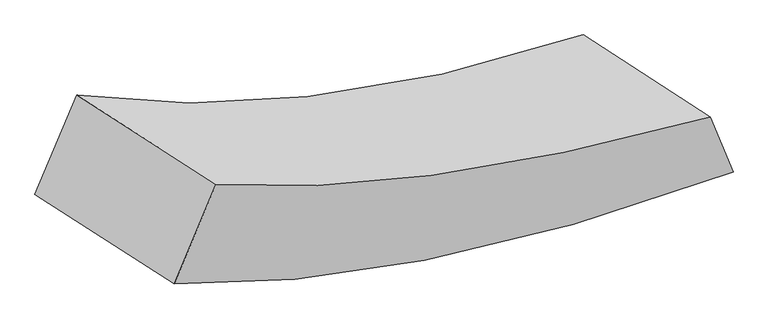
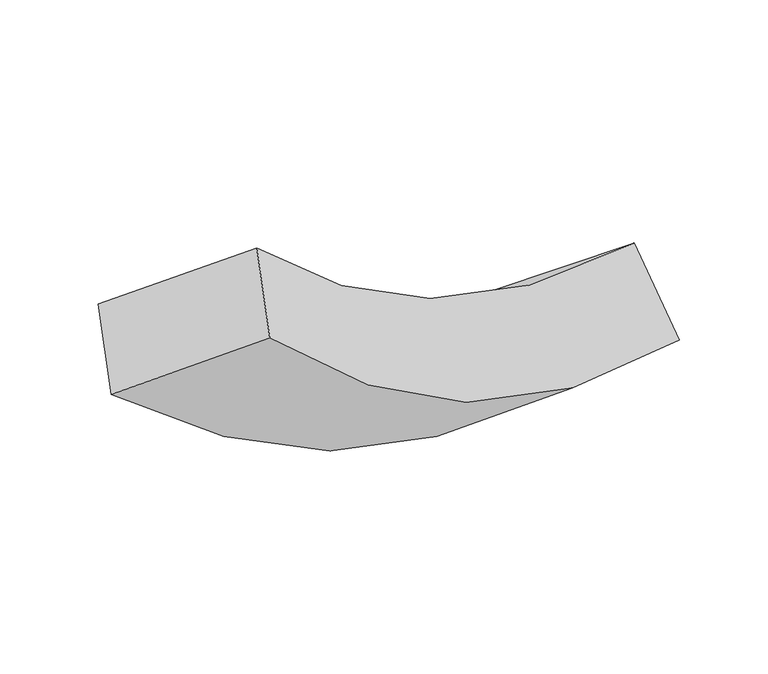
"""IFC4 building model written with IfcOpenShell, lengths in millimetres: proxy geometry."""

from ifc_helpers import new_model, si_unit, frame, origin, place, context, project, spatial, source, transform, mapped, element, save
from ifc_brep_helpers import plane_surface, spline_curve, spline_surface, advanced_brep


def generic_models_0d843068(model_context):
    return source(origin(), model_context, "Body", "AdvancedBrep", [
        advanced_brep(
        [(11003.1620731, -2779.5206532, 681.1179912), (11689.5156428, -3220.3283242, 1061.172804), (8631.5559827, -3833.2822188, 2515.1502642), (7868.8628835, -3343.4458086, 2092.8239358), (11564.2530452, -2920.7083384, 1598.8114323), (8859.4935421, -3288.7145323, 2735.1286809), (10870.1053225, -2469.1737476, 1230.2856986), (8096.800443, -2798.8781221, 2312.8023524)],
        [
            (0, 1),
            (1, 2, spline_curve(3, [(11689.5156428, -3220.3283242, 1061.172804), (11087.907676244, -3442.173238982, 1102.096294633), (10524.914716023, -3603.937136541, 1251.36908045), (9510.484880315, -3800.646680278, 1749.749157827), (9054.157953739, -3843.200747435, 2085.135525549), (8631.5559827, -3833.2822188, 2515.1502642)], [4, 2, 4], [0.0, 6.0109388041369005, 11.628398219712846])),
            (2, 3),
            (3, 0, spline_curve(3, [(7868.8628835, -3343.4458086, 2092.8239358), (8348.909438863, -3390.257878083, 1694.618007724), (8840.868941286, -3370.588681777, 1378.962479475), (9883.907984431, -3192.253280149, 896.424188778), (10436.714878488, -3023.947424612, 741.511068904), (11003.1620731, -2779.5206532, 681.1179912)], [4, 2, 4], [0.0, 5.617459415575945, 11.628398219712846])),
            (1, 4),
            (4, 5, spline_curve(3, [(11564.2530452, -2920.7083384, 1598.8114323), (11007.230710257, -3072.355808486, 1625.743411878), (10497.235192907, -3178.391551718, 1739.963681735), (9601.603981205, -3295.284195237, 2129.789939934), (9210.012997508, -3311.917183229, 2394.342086399), (8859.4935421, -3288.7145323, 2735.1286809)], [4, 2, 4], [0.0, 5.558887987465496, 10.75388808359505])),
            (5, 2),
            (4, 6),
            (6, 7, spline_curve(3, [(10870.1053225, -2469.1737476, 1230.2856986), (10341.576114183, -2642.013651684, 1264.983358637), (9839.239861948, -2754.875578229, 1378.163150124), (8918.121873948, -2857.181663729, 1748.940699891), (8496.023166365, -2854.221195328, 1996.599793005), (8096.800443, -2798.8781221, 2312.8023524)], [4, 2, 4], [0.0, 0.516918898937169, 1.0])),
            (7, 5),
            (6, 0),
            (3, 7),
        ],
        [
            spline_surface(3, 3, [[(11003.1620731, -2779.5206532, 681.1179912), (10436.714878574, -3023.947424702, 741.511068958), (9883.907984418, -3192.253280188, 896.424188808), (8840.868941298, -3370.588681741, 1378.962479446), (8348.909438947, -3390.25787806, 1694.618007785), (7868.8628835, -3343.4458086, 2092.8239358)], [(11231.946596322, -2926.456543523, 807.802928816), (10653.779144451, -3163.356029422, 861.706144193), (10097.576894948, -3329.481232328, 1014.739152687), (9064.074254274, -3513.941347931, 1502.558038934), (8583.992277216, -3541.238834526, 1824.790513692), (8123.093916561, -3506.724612011, 2233.599378604)], [(11460.731119578, -3073.392433877, 934.487866384), (10870.843410361, -3302.764634173, 981.90121938), (10311.245805532, -3466.709184418, 1133.054116525), (9287.279567303, -3657.294014072, 1626.153598383), (8819.075115501, -3692.21979096, 1954.963019587), (8377.324949639, -3670.003415389, 2374.374821396)], [(11689.5156428, -3220.3283242, 1061.172804), (11087.907676238, -3442.173238893, 1102.096294615), (10524.914716062, -3603.937136558, 1251.369080403), (9510.484880279, -3800.646680262, 1749.749157871), (9054.15795377, -3843.200747426, 2085.135525494), (8631.5559827, -3833.2822188, 2515.1502642)]], [4, 4], [4, 2, 4], [0.0, 2.81510192895185], [0.0, 6.0109388041369005, 11.628398219712846]),
            spline_surface(3, 3, [[(11689.5156428, -3220.3283242, 1061.172804), (11087.907676238, -3442.173238893, 1102.096294615), (10524.914716062, -3603.937136558, 1251.369080403), (9510.484880279, -3800.646680262, 1749.749157871), (9054.15795377, -3843.200747426, 2085.135525494), (8631.5559827, -3833.2822188, 2515.1502642)], [(11647.761443607, -3120.45499561, 1240.385680071), (11061.015354258, -3318.900762072, 1276.645333645), (10515.688208343, -3462.088608262, 1414.23394747), (9540.857913899, -3632.192518574, 1876.429418562), (9106.109635026, -3666.10622602, 2188.204379084), (8707.535169196, -3651.759656629, 2588.476403076)], [(11606.007244393, -3020.58166699, 1419.598556229), (11034.123032259, -3195.628285219, 1451.194372763), (10506.461700659, -3320.240080009, 1577.098814594), (9571.230947554, -3463.73835693, 2003.109679311), (9158.061316195, -3489.011704626, 2291.273232747), (8783.514355604, -3470.237094471, 2661.802542024)], [(11564.2530452, -2920.7083384, 1598.8114323), (11007.230710279, -3072.355808398, 1625.743411794), (10497.23519294, -3178.391551713, 1739.963681662), (9601.603981174, -3295.284195243, 2129.789940003), (9210.012997451, -3311.91718322, 2394.342086337), (8859.4935421, -3288.7145323, 2735.1286809)]], [4, 4], [4, 2, 4], [0.0, 2.0921446325474147], [0.0, 5.558887987465496, 10.75388808359505]),
            spline_surface(3, 3, [[(11564.2530452, -2920.7083384, 1598.8114323), (11007.230710279, -3072.355808398, 1625.743411794), (10497.23519294, -3178.391551713, 1739.963681662), (9601.603981174, -3295.284195243, 2129.789940003), (9210.012997451, -3311.91718322, 2394.342086337), (8859.4935421, -3288.7145323, 2735.1286809)], [(11332.870470956, -2770.196808114, 1475.969521092), (10785.345844903, -2928.908422806, 1505.490060766), (10277.903415947, -3037.219560549, 1619.363504481), (9373.776612107, -3149.250018071, 2002.840193298), (8972.016387062, -3159.351853912, 2261.76132192), (8605.262509039, -3125.435728889, 2594.353238096)], [(11101.487896744, -2619.685277886, 1353.127609808), (10563.460979558, -2785.461037272, 1385.236709663), (10058.571638935, -2896.047569389, 1498.763327302), (9145.949243021, -3003.215840904, 1875.890446597), (8734.019776755, -3006.786524636, 2129.180557417), (8351.031476061, -2962.156925511, 2453.577795204)], [(10870.1053225, -2469.1737476, 1230.2856986), (10341.576114182, -2642.01365168, 1264.983358635), (9839.239861942, -2754.875578225, 1378.163150121), (8918.121873954, -2857.181663732, 1748.940699893), (8496.023166366, -2854.221195328, 1996.599793), (8096.800443, -2798.8781221, 2312.8023524)]], [4, 4], [4, 2, 4], [0.0, 1.0], [0.0, 0.516918898937169, 1.0]),
            spline_surface(3, 3, [[(10870.1053225, -2469.1737476, 1230.2856986), (10341.576114182, -2642.01365168, 1264.983358635), (9839.239861942, -2754.875578225, 1378.163150121), (8918.121873954, -2857.181663732, 1748.940699893), (8496.023166366, -2854.221195328, 1996.599793), (8096.800443, -2798.8781221, 2312.8023524)], [(10914.457572715, -2572.622716153, 1047.229796122), (10373.289035661, -2769.324909374, 1090.492595397), (9854.129236123, -2900.668145545, 1217.583496357), (8892.370896425, -3028.317336401, 1625.614626417), (8446.985257231, -3032.900089576, 1895.939197919), (8020.821256504, -2980.400684271, 2239.476213524)], [(10958.809822885, -2676.071684647, 864.173893678), (10405.001957095, -2896.636167009, 916.001832196), (9869.018610237, -3046.460712868, 1057.003842573), (8866.619918827, -3199.453009072, 1502.288552922), (8397.947348082, -3211.578983812, 1795.278602866), (7944.842069996, -3161.923246429, 2166.150074676)], [(11003.1620731, -2779.5206532, 681.1179912), (10436.714878574, -3023.947424702, 741.511068958), (9883.907984418, -3192.253280188, 896.424188808), (8840.868941298, -3370.588681741, 1378.962479446), (8348.909438947, -3390.25787806, 1694.618007785), (7868.8628835, -3343.4458086, 2092.8239358)]], [4, 4], [4, 2, 4], [0.0, 2.096158744995611], [0.0, 5.610281485019602, 10.853310831843906]),
            plane_surface(frame((8364.1782128, -3316.0801705, 2413.9763083), z_axis=(-0.5360931897553187, -0.11351109162752945, 0.8364922737093838), x_axis=(-0.7626930991828654, 0.48983641023156427, -0.4223263284123908))),
            plane_surface(frame((11281.7590209, -2847.4327659, 1142.8469815), z_axis=(0.620925048375879, 0.7372812227687529, -0.26621134996845164), x_axis=(-0.20639387627621328, 0.4814013609896074, 0.8518534483542537))),
        ],
        [
            (0, [[1, 2, 3, 4]]),
            (1, [[5, 6, 7, -2]]),
            (2, [[8, 9, 10, -6]]),
            (3, [[11, -4, 12, -9]]),
            (4, [[-10, -12, -3, -7]]),
            (5, [[-11, -8, -5, -1]]),
        ],
    ),
    ])


if __name__ == "__main__":
    model = new_model("IFC4")
    model_context = context("Model", 3, world=origin())
    ifc_project = project(units=[si_unit("LENGTHUNIT", "METRE", prefix="MILLI")], contexts=[model_context])
    site = spatial("IfcSite", under=ifc_project)
    building = spatial("IfcBuilding", under=site)
    placement = place(None, origin())
    generic_models_shape = generic_models_0d843068(model_context)
    element("IfcBuildingElementProxy", 1, Name="Generic Models", at=placement, inside=building, context=model_context, shape_type="MappedRepresentation", body=[
        mapped(generic_models_shape, transform((0.0, 0.0, 0.0), x_axis=(1.0, 0.0, 0.0), y_axis=(0.0, 1.0, 0.0), z_axis=(0.0, 0.0, 1.0))),
    ])
    save(model, "model.ifc")
